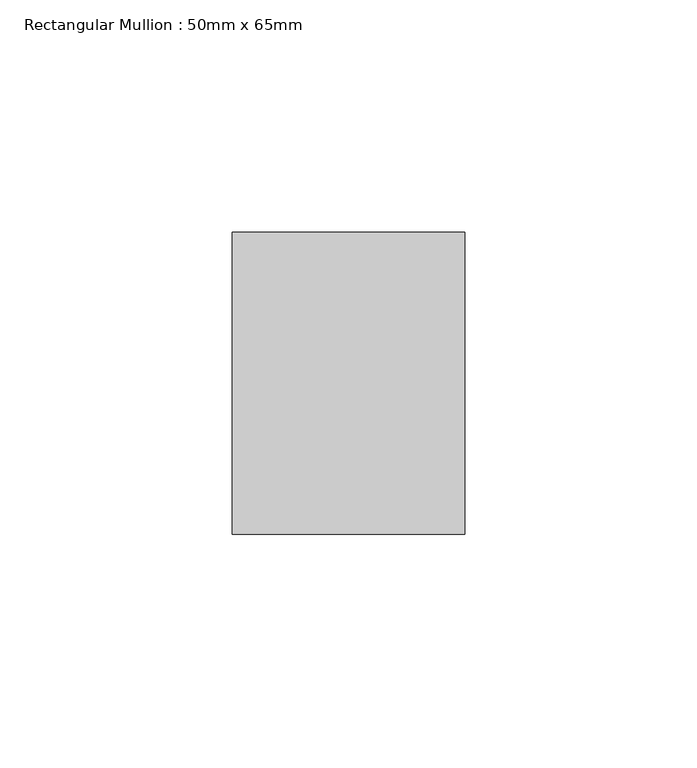
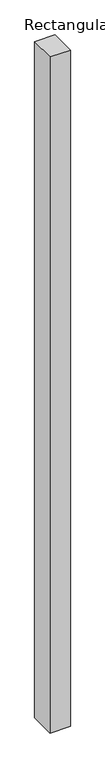
"""IFC4 building model written with IfcOpenShell, lengths in millimetres: member geometry, Rectangular Mullion : 50mm x 65mm."""

from ifc_helpers import new_model, si_unit, frame, origin, place, context, project, spatial, polyline, outline, extrude, source, transform, mapped, element, save


def rectangular_mullion_50mm_x_65mm_44315b85(model_context):
    return source(origin(), model_context, "Body", "SweptSolid", [
        extrude(outline(polyline([(25.0, 32.5), (25.0, -32.5), (-25.0, -32.5), (-25.0, 32.5), (25.0, 32.5)])), frame((0.0, 0.0, -1754.4954497), z_axis=(0.0, 0.0, 1.0), x_axis=(1.0, 0.0, 0.0)), (0.0, 0.0, 1.0), 1754.4954497),
    ])


if __name__ == "__main__":
    model = new_model("IFC4")
    model_context = context("Model", 3, world=origin())
    ifc_project = project(units=[si_unit("LENGTHUNIT", "METRE", prefix="MILLI")], contexts=[model_context])
    site = spatial("IfcSite", under=ifc_project)
    building = spatial("IfcBuilding", under=site)
    placement = place(None, origin())
    rectangular_mullion_50mm_x_65mm_shape = rectangular_mullion_50mm_x_65mm_44315b85(model_context)
    element("IfcMember", 1, ObjectType="Rectangular Mullion : 50mm x 65mm", at=placement, inside=building, context=model_context, shape_type="MappedRepresentation", body=[
        mapped(rectangular_mullion_50mm_x_65mm_shape, transform((0.0, 0.0, 0.0), x_axis=(1.0, 0.0, 0.0), y_axis=(0.0, 1.0, 0.0), z_axis=(0.0, 0.0, 1.0))),
    ])
    save(model, "model.ifc")
